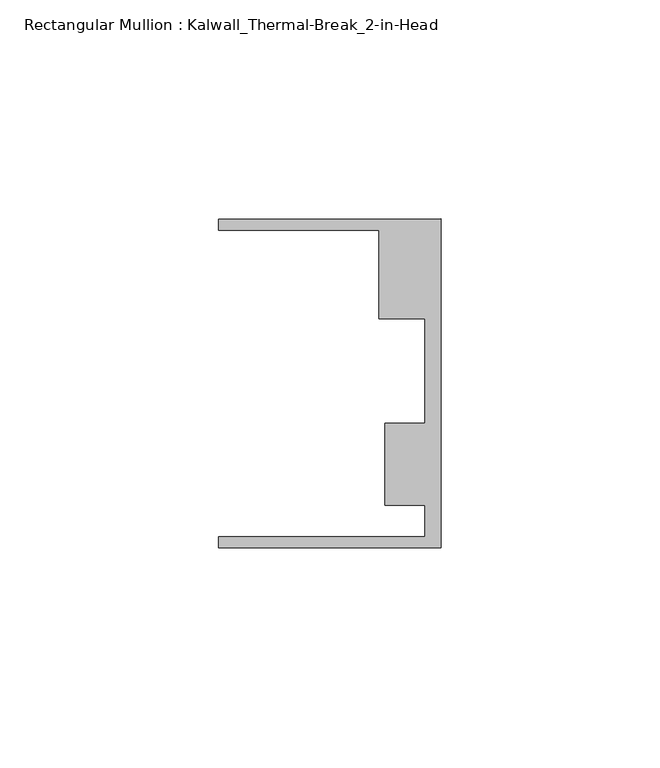
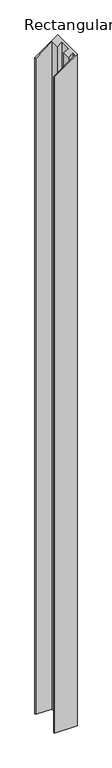
"""IFC4 building model written with IfcOpenShell, lengths in millimetres: member geometry, Rectangular Mullion : Kalwall_Thermal-Break_2-in-Head."""

from ifc_helpers import new_model, si_unit, origin, place, context, project, spatial, faceted_brep, source, transform, mapped, element, save


def rectangular_mullion_kalwall_thermal_break_2_in_head_d1696d3c(model_context):
    return source(origin(), model_context, "Body", "Brep", [
        faceted_brep([(0.0, 37.5023614, 0.0), (0.0, -37.5776386, 0.0), (0.0, -37.5776386, -1584.9765298), (0.0, 37.5023614, -1584.9765298), (-50.8, 37.5023614, -36.5510227), (-50.8, 37.5023614, -1584.9765298), (-50.8, 34.9623614, -36.5510227), (-50.8, 34.9623614, -1584.9765298), (-14.1732, 34.9623614, -10.1977353), (-14.1732, 34.9623614, -1584.9765298), (-14.1732, 14.7439614, -10.1977353), (-14.1732, 14.7439614, -1584.9765298), (-3.7084, 14.7439614, -2.6682247), (-3.7084, 14.7439614, -1584.9765298), (-3.7084, -9.1879886, -2.6682247), (-3.7084, -9.1879886, -1584.9765298), (-12.8272539, -9.1879886, -9.2293159), (-12.8272539, -9.1879886, -1584.9765298), (-12.8272539, -27.8888568, -9.2293159), (-12.8272539, -27.8888568, -1584.9765298), (-3.7084, -27.8888568, -2.6682247), (-3.7084, -27.8888568, -1584.9765298), (-3.7084, -35.0376386, -2.6682247), (-3.7084, -35.0376386, -1584.9765298), (-50.8, -35.0376386, -36.5510227), (-50.8, -35.0376386, -1584.9765298), (-50.8, -37.5776386, -36.5510227), (-50.8, -37.5776386, -1584.9765298)], [[[0, 1, 2, 3]], [[4, 0, 3, 5]], [[6, 4, 5, 7]], [[8, 6, 7, 9]], [[10, 8, 9, 11]], [[12, 10, 11, 13]], [[14, 12, 13, 15]], [[16, 14, 15, 17]], [[18, 16, 17, 19]], [[20, 18, 19, 21]], [[22, 20, 21, 23]], [[24, 22, 23, 25]], [[26, 24, 25, 27]], [[1, 26, 27, 2]], [[1, 0, 4, 6, 8, 10, 12, 14, 16, 18, 20, 22, 24, 26]], [[2, 27, 25, 23, 21, 19, 17, 15, 13, 11, 9, 7, 5, 3]]]),
    ])


if __name__ == "__main__":
    model = new_model("IFC4")
    model_context = context("Model", 3, world=origin())
    ifc_project = project(units=[si_unit("LENGTHUNIT", "METRE", prefix="MILLI")], contexts=[model_context])
    site = spatial("IfcSite", under=ifc_project)
    building = spatial("IfcBuilding", under=site)
    placement = place(None, origin())
    rectangular_mullion_kalwall_thermal_break_2_in_head_shape = rectangular_mullion_kalwall_thermal_break_2_in_head_d1696d3c(model_context)
    element("IfcMember", 1, ObjectType="Rectangular Mullion : Kalwall_Thermal-Break_2-in-Head", at=placement, inside=building, context=model_context, shape_type="MappedRepresentation", body=[
        mapped(rectangular_mullion_kalwall_thermal_break_2_in_head_shape, transform((0.0, 0.0, 0.0), x_axis=(1.0, 0.0, 0.0), y_axis=(0.0, 1.0, 0.0), z_axis=(0.0, 0.0, 1.0))),
    ])
    save(model, "model.ifc")
